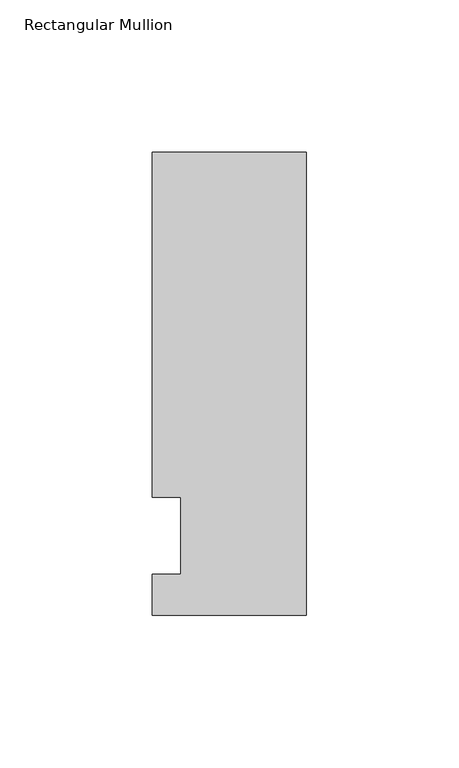
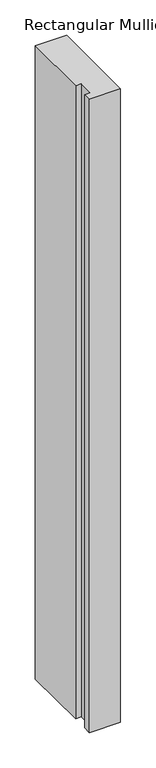
"""IFC4 building model written with IfcOpenShell, lengths in millimetres: member geometry, Rectangular Mullion."""

from ifc_helpers import new_model, si_unit, frame, origin, place, context, project, spatial, polyline, outline, extrude, source, transform, mapped, element, save


def rectangular_mullion_03c19cf0(model_context):
    return source(origin(), model_context, "Body", "SweptSolid", [
        extrude(outline(polyline([(-50.8, -26.19375), (-50.8, -12.7), (-41.275, -12.7), (-41.275, 12.7), (-50.8, 12.7), (-50.8, 126.20625), (0.0, 126.20625), (0.0, -26.19375), (-50.8, -26.19375)])), frame((0.0, 0.0, -1092.2), z_axis=(0.0, 0.0, 1.0), x_axis=(1.0, 0.0, 0.0)), (0.0, 0.0, 1.0), 1092.2),
    ])


if __name__ == "__main__":
    model = new_model("IFC4")
    model_context = context("Model", 3, world=origin())
    ifc_project = project(units=[si_unit("LENGTHUNIT", "METRE", prefix="MILLI")], contexts=[model_context])
    site = spatial("IfcSite", under=ifc_project)
    building = spatial("IfcBuilding", under=site)
    placement = place(None, origin())
    rectangular_mullion_shape = rectangular_mullion_03c19cf0(model_context)
    element("IfcMember", 1, ObjectType="Rectangular Mullion", at=placement, inside=building, context=model_context, shape_type="MappedRepresentation", body=[
        mapped(rectangular_mullion_shape, transform((0.0, 0.0, 0.0), x_axis=(1.0, 0.0, 0.0), y_axis=(0.0, 1.0, 0.0), z_axis=(0.0, 0.0, 1.0))),
    ])
    save(model, "model.ifc")
